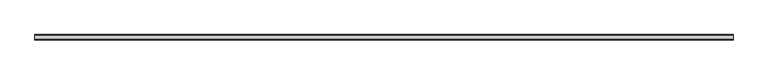
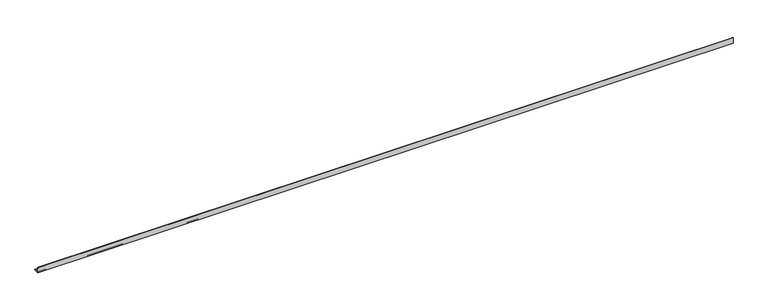
"""IFC4 building model written with IfcOpenShell, lengths in millimetres: beam geometry."""

from ifc_helpers import new_model, si_unit, point, frame, frame_2d, origin, place, context, project, spatial, polyline, circle_curve, trimmed, segment, composite_curve, outline, extrude, source, transform, mapped, element, save


def beam_ca949c43(model_context):
    return source(origin(), model_context, "Body", "SweptSolid", [
        extrude(outline(composite_curve([segment(polyline([(-21.3, -21.3), (-21.3, 53.7), (-18.3, 53.7)]), True, "CONTINUOUS"), segment(trimmed(circle_curve(frame_2d((-18.3, 48.7)), 5.0), [point((-18.3, 53.7))], [point((-13.3, 48.7))], False, "CARTESIAN"), True, "CONTINUOUS"), segment(polyline([(-13.3, 48.7), (-13.3, -5.3)]), True, "CONTINUOUS"), segment(trimmed(circle_curve(frame_2d((-5.3, -5.3)), 8.0), [point((-13.3, -5.3))], [point((-5.3, -13.3))], True, "CARTESIAN"), True, "CONTINUOUS"), segment(polyline([(-5.3, -13.3), (48.7, -13.3)]), True, "CONTINUOUS"), segment(trimmed(circle_curve(frame_2d((48.7, -18.3)), 5.0), [point((48.7, -13.3))], [point((53.7, -18.3))], False, "CARTESIAN"), True, "CONTINUOUS"), segment(polyline([(53.7, -18.3), (53.7, -21.3), (-21.3, -21.3)]), True, "CONTINUOUS")], self_intersect=False)), frame((-4866.5, 0.0, 0.0), z_axis=(1.0, 0.0, 0.0), x_axis=(0.0, 1.0, 0.0)), (0.0, 0.0, 1.0), 9769.0),
    ])


if __name__ == "__main__":
    model = new_model("IFC4")
    model_context = context("Model", 3, world=origin())
    ifc_project = project(units=[si_unit("LENGTHUNIT", "METRE", prefix="MILLI")], contexts=[model_context])
    site = spatial("IfcSite", under=ifc_project)
    building = spatial("IfcBuilding", under=site)
    placement = place(None, origin())
    beam_shape = beam_ca949c43(model_context)
    element("IfcBeam", 1, at=placement, inside=building, context=model_context, shape_type="MappedRepresentation", body=[
        mapped(beam_shape, transform((0.0, 0.0, 0.0), x_axis=(1.0, 0.0, 0.0), y_axis=(0.0, 1.0, 0.0), z_axis=(0.0, 0.0, 1.0))),
    ])
    save(model, "model.ifc")
